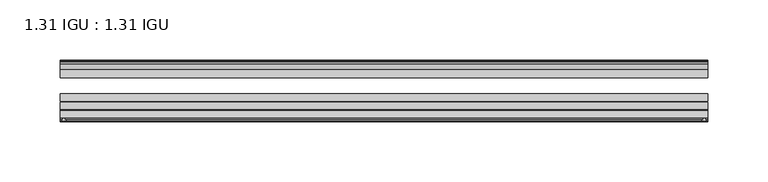
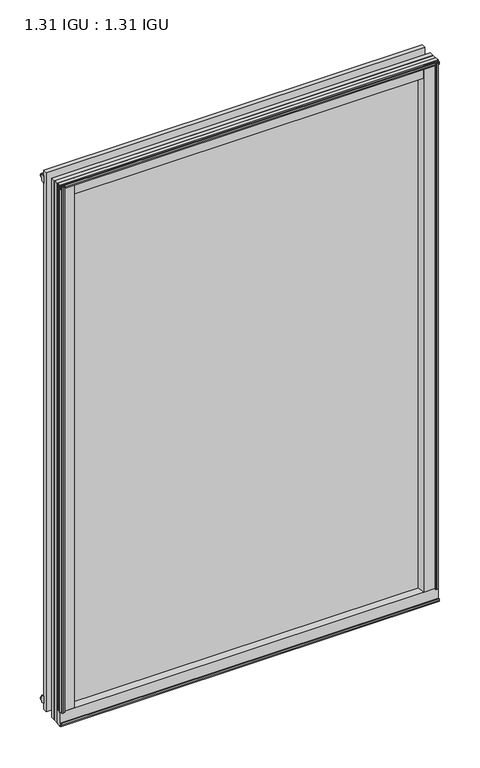
"""IFC4 building model written with IfcOpenShell, lengths in millimetres: plate geometry, 1.31 IGU : 1.31 IGU."""

from ifc_helpers import new_model, si_unit, point, frame, frame_2d, origin, origin_with_axes, place, context, project, spatial, polyline, circle_curve, trimmed, segment, composite_curve, outline, extrude, source, transform, mapped, element, save


def plate_1_31_igu_1_31_igu_0479f634(model_context):
    return source(origin(), model_context, "Body", "SweptSolid", [
        extrude(outline(composite_curve([segment(polyline([(265.1245906, -57.6333938), (248.9398437, -57.6333938)]), True, "CONTINUOUS"), segment(trimmed(circle_curve(frame_2d((241.6451146, -57.6547678)), 7.2947605), [point((248.9398437, -57.6333938))], [point((245.1974551, -51.2833938))], True, "CARTESIAN"), True, "CONTINUOUS"), segment(polyline([(245.1974551, -51.2833938), (268.067876, -51.2833938)]), True, "CONTINUOUS"), segment(trimmed(circle_curve(frame_2d((268.067876, -52.0707938)), 0.7874), [point((268.067876, -51.2833938))], [point((268.8494069, -51.9748338))], False, "CARTESIAN"), True, "CONTINUOUS"), segment(polyline([(268.8494069, -51.9748338), (269.5441906, -57.6333938), (267.6137906, -57.6333938), (267.1565906, -59.624458), (268.1579525, -59.3561439), (268.4011906, -60.263921), (266.3691906, -60.8083938), (264.3371906, -60.263921), (264.5804288, -59.3561439), (265.5817906, -59.624458), (265.1245906, -57.6333938)]), True, "CONTINUOUS")], self_intersect=False)), origin_with_axes(), (0.0, 0.0, 1.0), 793.75),
        extrude(outline(composite_curve([segment(polyline([(-249.2375, -57.6333937), (-265.4222469, -57.6333937), (-265.8794469, -59.624458), (-264.878085, -59.3561439), (-264.6348469, -60.263921), (-266.6668469, -60.8083937), (-268.6988469, -60.263921), (-268.4556088, -59.3561439), (-267.4542469, -59.624458), (-267.9114469, -57.6333937), (-269.8418469, -57.6333937), (-269.1470631, -51.9748338)]), True, "CONTINUOUS"), segment(trimmed(circle_curve(frame_2d((-268.3655323, -52.0707937)), 0.7874), [point((-269.1470631, -51.9748338))], [point((-268.3655323, -51.2833937))], False, "CARTESIAN"), True, "CONTINUOUS"), segment(polyline([(-268.3655323, -51.2833937), (-245.4951114, -51.2833937)]), True, "CONTINUOUS"), segment(trimmed(circle_curve(frame_2d((-241.9427708, -57.6547678)), 7.2947605), [point((-245.4951114, -51.2833937))], [point((-249.2375, -57.6333937))], True, "CARTESIAN"), True, "CONTINUOUS")], self_intersect=False)), origin_with_axes(), (0.0, 0.0, 1.0), 793.75),
        extrude(outline(polyline([(-9.7543937, -6.8579998), (-10.4009552, -9.2709998), (-11.2596632, -9.0409097), (-10.8839895, -7.6388763), (-13.1833937, -8.3819998), (-13.1833937, -11.7850089), (-17.9585937, -10.1533914), (-17.9585937, 0.6595133), (-13.1833937, -0.5079998), (-13.1833937, -5.4609998), (-10.8839895, -6.0771233), (-11.2596632, -4.6750899), (-10.4009552, -4.4449998), (-9.7543937, -6.8579998)])), frame((-269.875, 0.0, 0.0), z_axis=(1.0, 0.0, 0.0), x_axis=(0.0, 1.0, 0.0)), (0.0, 0.0, 1.0), 539.4523438),
        extrude(outline(composite_curve([segment(polyline([(-51.9748338, -19.930016), (-57.6333937, -20.6247998), (-57.6333937, -18.6943998), (-59.624458, -18.2371998), (-59.3561439, -19.2385617), (-60.263921, -19.4817998), (-60.8083937, -17.4497998), (-60.263921, -15.4177998), (-59.3561439, -15.6610379), (-59.624458, -16.6623998), (-57.6333937, -16.2051998), (-57.6333937, 0.0127002)]), True, "CONTINUOUS"), segment(trimmed(circle_curve(frame_2d((-58.1588233, 7.9620141)), 7.9666598), [point((-57.6333937, 0.0127002))], [point((-51.2833937, 3.9375717))], True, "CARTESIAN"), True, "CONTINUOUS"), segment(polyline([(-51.2833937, 3.9375717), (-51.2833937, -19.1484852)]), True, "CONTINUOUS"), segment(trimmed(circle_curve(frame_2d((-52.0707937, -19.1484852)), 0.7874), [point((-51.2833937, -19.1484852))], [point((-51.9748338, -19.930016))], False, "CARTESIAN"), True, "CONTINUOUS")], self_intersect=False)), frame((-269.875, 0.0, 0.0), z_axis=(1.0, 0.0, 0.0), x_axis=(0.0, 1.0, 0.0)), (0.0, 0.0, 1.0), 539.4523438),
        extrude(outline(polyline([(-17.9585937, 784.8533914), (-13.1833937, 786.4850089), (-13.1833937, 783.0819998), (-10.8839895, 782.3388763), (-11.2596632, 783.7409097), (-10.4009552, 783.9709998), (-9.7543937, 781.5579998), (-10.4009552, 779.1449998), (-11.2596632, 779.3750899), (-10.8839895, 780.7771233), (-13.1833937, 780.1609998), (-13.1833937, 775.2079998), (-17.9585937, 774.0404867), (-17.9585937, 784.8533914)])), frame((-269.875, 0.0, 0.0), z_axis=(1.0, 0.0, 0.0), x_axis=(0.0, 1.0, 0.0)), (0.0, 0.0, 1.0), 539.4523438),
        extrude(outline(composite_curve([segment(trimmed(circle_curve(frame_2d((-52.0707937, 793.8484852)), 0.7874), [point((-51.9748338, 794.630016))], [point((-51.2833937, 793.8484852))], False, "CARTESIAN"), True, "CONTINUOUS"), segment(polyline([(-51.2833937, 793.8484852), (-51.2833937, 770.7624283)]), True, "CONTINUOUS"), segment(trimmed(circle_curve(frame_2d((-58.1588233, 766.7379859)), 7.9666598), [point((-51.2833937, 770.7624283))], [point((-57.6333937, 774.6872998))], True, "CARTESIAN"), True, "CONTINUOUS"), segment(polyline([(-57.6333937, 774.6872998), (-57.6333937, 790.9051998), (-59.624458, 791.3623998), (-59.3561439, 790.3610379), (-60.263921, 790.1177998), (-60.8083937, 792.1497998), (-60.263921, 794.1817998), (-59.3561439, 793.9385617), (-59.624458, 792.9371998), (-57.6333937, 793.3943998), (-57.6333937, 795.3247998), (-51.9748338, 794.630016)]), True, "CONTINUOUS")], self_intersect=False)), frame((-269.875, 0.0, 0.0), z_axis=(1.0, 0.0, 0.0), x_axis=(0.0, 1.0, 0.0)), (0.0, 0.0, 1.0), 539.4523438),
        extrude(outline(polyline([(-258.4638763, -10.8839895), (-259.8659097, -11.2596632), (-260.0959998, -10.4009552), (-257.6829998, -9.7543937), (-255.2699998, -10.4009552), (-255.5000899, -11.2596632), (-256.9021233, -10.8839895), (-256.2859998, -13.1833937), (-251.3329998, -13.1833937), (-250.1654867, -17.9585937), (-260.9783914, -17.9585937), (-262.6100089, -13.1833937), (-259.2069998, -13.1833937), (-258.4638763, -10.8839895)])), origin_with_axes(), (0.0, 0.0, 1.0), 774.7),
        extrude(outline(polyline([(258.4765765, -10.8839895), (259.2197, -13.1833937), (262.6227091, -13.1833937), (260.9910916, -17.9585937), (250.1781869, -17.9585937), (251.3457, -13.1833937), (256.2987, -13.1833937), (256.9148235, -10.8839895), (255.5127901, -11.2596632), (255.2827, -10.4009552), (257.6957, -9.7543937), (260.1087, -10.4009552), (259.8786099, -11.2596632), (258.4765765, -10.8839895)])), origin_with_axes(), (0.0, 0.0, 1.0), 774.7),
        extrude(outline(polyline([(269.5773437, -17.9585937), (269.5773437, -24.3085937), (-269.875, -24.3085937), (-269.875, -17.9585937), (269.5773437, -17.9585937)])), frame((0.0, 0.0, -19.0372998), z_axis=(0.0, 0.0, 1.0), x_axis=(1.0, 0.0, 0.0)), (0.0, 0.0, 1.0), 812.7872998),
        extrude(outline(polyline([(-269.875, -44.1459937), (-269.875, -37.7959937), (269.5773437, -37.7959937), (269.5773437, -44.1459937), (-269.875, -44.1459937)])), frame((0.0, 0.0, -19.0372998), z_axis=(0.0, 0.0, 1.0), x_axis=(1.0, 0.0, 0.0)), (0.0, 0.0, 1.0), 812.7872998),
        extrude(outline(polyline([(-269.875, -51.2833937), (-269.875, -44.9333937), (269.5773437, -44.9333937), (269.5773437, -51.2833937), (-269.875, -51.2833937)])), frame((0.0, 0.0, -19.0372998), z_axis=(0.0, 0.0, 1.0), x_axis=(1.0, 0.0, 0.0)), (0.0, 0.0, 1.0), 812.7872998),
    ])


if __name__ == "__main__":
    model = new_model("IFC4")
    model_context = context("Model", 3, world=origin())
    ifc_project = project(units=[si_unit("LENGTHUNIT", "METRE", prefix="MILLI")], contexts=[model_context])
    site = spatial("IfcSite", under=ifc_project)
    building = spatial("IfcBuilding", under=site)
    placement = place(None, origin())
    plate_1_31_igu_1_31_igu_shape = plate_1_31_igu_1_31_igu_0479f634(model_context)
    element("IfcPlate", 1, ObjectType="1.31 IGU : 1.31 IGU", at=placement, inside=building, context=model_context, shape_type="MappedRepresentation", body=[
        mapped(plate_1_31_igu_1_31_igu_shape, transform((0.0, 0.0, 0.0), x_axis=(1.0, 0.0, 0.0), y_axis=(0.0, 1.0, 0.0), z_axis=(0.0, 0.0, 1.0))),
    ])
    save(model, "model.ifc")
